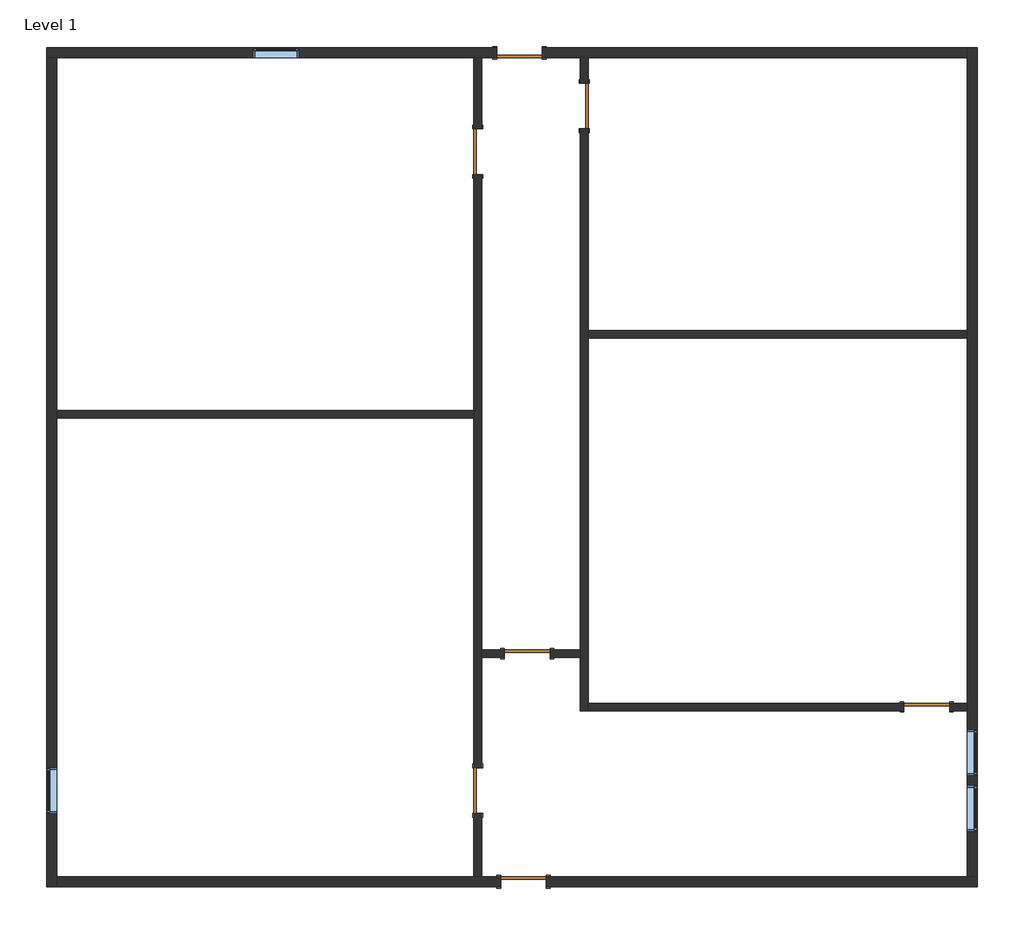
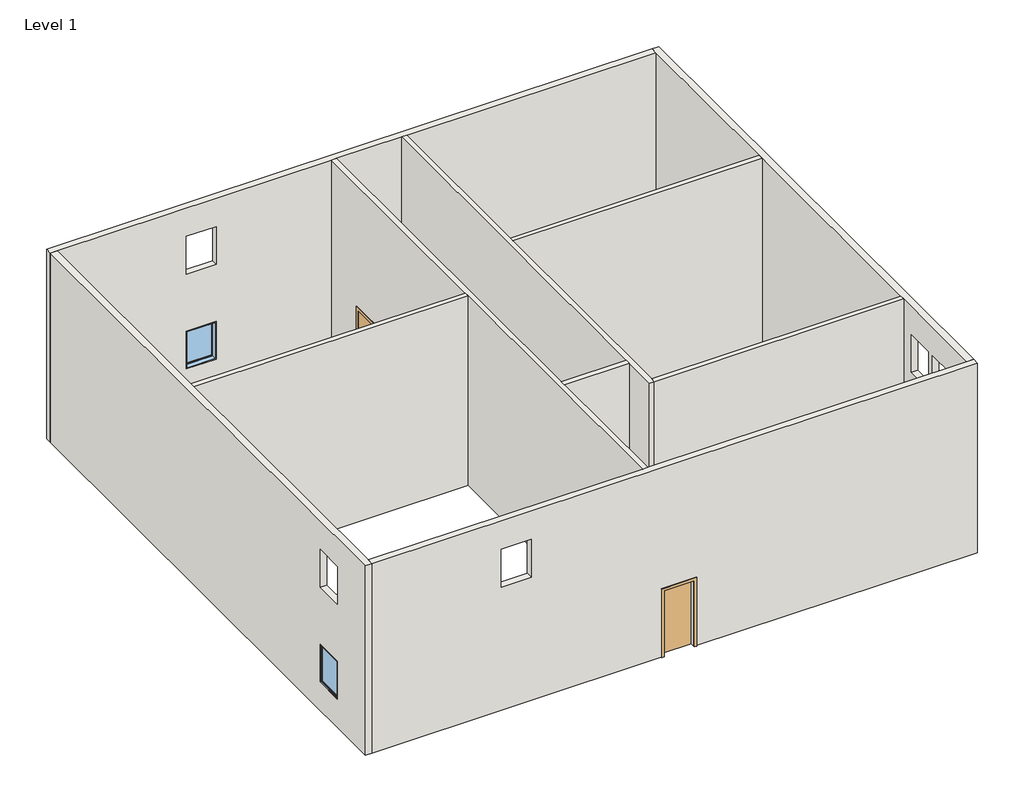
# One storey: 10 walls, 7 doors, 4 windows.
"""IFC4 building model written with IfcOpenShell, lengths in millimetres."""

import ifcopenshell
import ifcopenshell.guid

model = None  # the IFC model being written
_history = None  # IfcOwnerHistory: only IFC2X3 demands one
_inside = {}  # id of a spatial element -> (the spatial element, [elements in it])
_under = {}  # id of a project, library or spatial element -> (it, [spatial elements below it])
_declared = {}  # id of a project -> (the project, [libraries it declares])
_typed = {}  # id of a type object -> (the type object, [elements of that type])
_made_of = {}  # id of a material, layer set ... -> (it, [elements and type objects made of it])


def new_model(schema):
    """Start an empty IFC model of exactly this schema.

    Asked for "IFC4X3", IfcOpenShell would pick the latest addendum, in which some entities
    have other attributes; the version numbers below select the first issue.
    IFC2X3 requires an IfcOwnerHistory on every rooted entity: one is made here for all.
    """
    global model, _history
    if schema == "IFC4X3":
        model = ifcopenshell.file(schema_version=(4, 3, 0, 0))
    else:
        model = ifcopenshell.file(schema=schema)
    _inside.clear()
    _under.clear()
    _declared.clear()
    _typed.clear()
    _made_of.clear()
    _history = None
    if model.schema == "IFC2X3":
        org = make("IfcOrganization", Name="unknown")
        user = make(
            "IfcPersonAndOrganization",
            ThePerson=make("IfcPerson", FamilyName="unknown"),
            TheOrganization=org,
        )
        app = make(
            "IfcApplication",
            ApplicationDeveloper=org,
            Version="unknown",
            ApplicationFullName="unknown",
            ApplicationIdentifier="unknown",
        )
        _history = make(
            "IfcOwnerHistory",
            OwningUser=user,
            OwningApplication=app,
            ChangeAction="ADDED",
            CreationDate=0,
        )
    return model


def make(cls, **values):
    """One entity of the class cls with the attributes given. An attribute that is None is left unset."""
    return model.create_entity(
        cls, **{name: value for name, value in values.items() if value is not None}
    )


def rooted(cls, **values):
    """An entity with a GlobalId (a new one), such as an element, a storey or a relation."""
    return make(cls, GlobalId=ifcopenshell.guid.new(), OwnerHistory=_history, **values)


def si_unit(unit_type, name, prefix=None):
    """IfcSIUnit, for example si_unit("LENGTHUNIT", "METRE", prefix="MILLI")."""
    return make("IfcSIUnit", UnitType=unit_type, Prefix=prefix, Name=name)


def assignment(units):
    """IfcUnitAssignment: the units of a project."""
    return None if units is None else make("IfcUnitAssignment", Units=units)


def point(xyz):
    """IfcCartesianPoint."""
    return None if xyz is None else make("IfcCartesianPoint", Coordinates=xyz)


def direction(xyz):
    """IfcDirection."""
    return None if xyz is None else make("IfcDirection", DirectionRatios=xyz)


def frame(location, z_axis=None, x_axis=None):
    """IfcAxis2Placement3D, a coordinate frame: its origin and axes. An axis left out is left unset."""
    return make(
        "IfcAxis2Placement3D",
        Location=point(location),
        Axis=direction(z_axis),
        RefDirection=direction(x_axis),
    )


def origin():
    """The frame at (0, 0, 0) with its axes left unset."""
    return frame((0.0, 0.0, 0.0))


def origin_with_axes():
    """The frame at (0, 0, 0) with the z axis (0, 0, 1) and the x axis (1, 0, 0) written out."""
    return frame((0.0, 0.0, 0.0), z_axis=(0.0, 0.0, 1.0), x_axis=(1.0, 0.0, 0.0))


def place(relative_to, where):
    """IfcLocalPlacement: puts the frame where relative to a parent placement (None: the world)."""
    return make(
        "IfcLocalPlacement", PlacementRelTo=relative_to, RelativePlacement=where
    )


def context(
    kind, dimensions, precision=None, world=None, true_north=None, identifier=None
):
    """IfcGeometricRepresentationContext, for example the 3D "Model" context."""
    return make(
        "IfcGeometricRepresentationContext",
        ContextIdentifier=identifier,
        ContextType=kind,
        CoordinateSpaceDimension=dimensions,
        Precision=precision,
        WorldCoordinateSystem=world,
        TrueNorth=true_north,
    )


def project(units=None, contexts=None):
    """IfcProject with its units and contexts."""
    return rooted(
        "IfcProject",
        Name="project",
        RepresentationContexts=contexts,
        UnitsInContext=assignment(units),
    )


def spatial(cls, under=None, at=None, **own):
    """A site, building, storey or space (cls), placed at a placement, below another one or the project."""
    s = rooted(cls, ObjectPlacement=at, **own)
    if under is not None:
        _under.setdefault(under.id(), (under, []))[1].append(s)
    return s


def polyline(points):
    """IfcPolyline through the points."""
    return make("IfcPolyline", Points=[point(p) for p in points])


def outline(outer, holes=None, kind="AREA"):
    """IfcArbitraryClosedProfileDef: a profile drawn as a closed curve; with holes, ...WithVoids."""
    if holes is None:
        return make("IfcArbitraryClosedProfileDef", ProfileType=kind, OuterCurve=outer)
    return make(
        "IfcArbitraryProfileDefWithVoids",
        ProfileType=kind,
        OuterCurve=outer,
        InnerCurves=holes,
    )


def extrude(swept, where, along, depth):
    """IfcExtrudedAreaSolid: the profile swept, set in the frame where, extruded along a direction by depth."""
    return make(
        "IfcExtrudedAreaSolid",
        SweptArea=swept,
        Position=where,
        ExtrudedDirection=direction(along),
        Depth=depth,
    )


def faces_of(points, faces, orient=None, outer=None):
    """IfcFace entities. A face is a list of loops; a loop is a list of indices into points, from 0.

    orient and outer hold one flag for each loop. By default every Orientation is true, the
    first loop of a face is its IfcFaceOuterBound and the others are IfcFaceBound.
    """
    made = []
    for i, loops in enumerate(faces):
        bounds = []
        for j, loop in enumerate(loops):
            is_outer = j == 0 if outer is None else outer[i][j]
            bounds.append(
                make(
                    "IfcFaceOuterBound" if is_outer else "IfcFaceBound",
                    Bound=make("IfcPolyLoop", Polygon=[points[k] for k in loop]),
                    Orientation=True if orient is None else orient[i][j],
                )
            )
        made.append(make("IfcFace", Bounds=bounds))
    return made


def faceted_brep(points, faces, orient=None, outer=None, voids=None):
    """IfcFacetedBrep: a solid bounded by flat faces; with voids (closed shells), ...WithVoids."""
    shared = [point(p) for p in points]
    hull = make("IfcClosedShell", CfsFaces=faces_of(shared, faces, orient, outer))
    if voids is None:
        return make("IfcFacetedBrep", Outer=hull)
    return make(
        "IfcFacetedBrepWithVoids",
        Outer=hull,
        Voids=[
            make(cls, CfsFaces=faces_of(shared, fs, o, b)) for cls, fs, o, b in voids
        ],
    )


def shape(context_of_items, identifier, shape_type, items):
    """IfcShapeRepresentation: the items that make up one representation, for example the "Body"."""
    return make(
        "IfcShapeRepresentation",
        ContextOfItems=context_of_items,
        RepresentationIdentifier=identifier,
        RepresentationType=shape_type,
        Items=items,
    )


def source(mapping_origin, context_of_items, identifier, shape_type, items):
    """IfcRepresentationMap: a shape defined once, which mapped items show again and again."""
    return make(
        "IfcRepresentationMap",
        MappingOrigin=mapping_origin,
        MappedRepresentation=shape(context_of_items, identifier, shape_type, items),
    )


def transform(
    local_origin,
    x_axis=None,
    y_axis=None,
    z_axis=None,
    scale=None,
    scale2=None,
    scale3=None,
    uniform=True,
):
    """IfcCartesianTransformationOperator3D, or its non-uniform kind. x_axis, y_axis, z_axis: its Axis1, 2, 3."""
    if uniform:
        return make(
            "IfcCartesianTransformationOperator3D",
            Axis1=direction(x_axis),
            Axis2=direction(y_axis),
            LocalOrigin=point(local_origin),
            Scale=scale,
            Axis3=direction(z_axis),
        )
    return make(
        "IfcCartesianTransformationOperator3DnonUniform",
        Axis1=direction(x_axis),
        Axis2=direction(y_axis),
        LocalOrigin=point(local_origin),
        Scale=scale,
        Axis3=direction(z_axis),
        Scale2=scale2,
        Scale3=scale3,
    )


def mapped(mapping_source, mapping_target):
    """IfcMappedItem: shows the shape of a source again, moved by a transform."""
    return make(
        "IfcMappedItem", MappingSource=mapping_source, MappingTarget=mapping_target
    )


def made_of(thing, what):
    """Note that an element or type object is made of a material, layer set ...; save() writes the relation."""
    if what is not None:
        _made_of.setdefault(what.id(), (what, []))[1].append(thing)
    return thing


def element(
    cls,
    number,
    at=None,
    inside=None,
    cuts=None,
    type_object=None,
    material=None,
    context=None,
    identifier="Body",
    shape_type=None,
    held_by="IfcProductDefinitionShape",
    body=None,
    shapes=None,
    **own,
):
    """One element of the class cls, such as IfcWall. Its Tag is "e" and its number.

    at: its placement. inside: the storey or other place that contains it. cuts: it is an
    opening in that element (IfcRelVoidsElement). A single representation is given by context,
    identifier, shape_type and body (its items); several are given by shapes. held_by: the class
    of the entity that holds the representations. save() writes the other relations.
    """
    e = rooted(cls, Tag="e%d" % number, ObjectPlacement=at, **own)
    if body is not None:
        shapes = [shape(context, identifier, shape_type, body)]
    if shapes is not None:
        e.Representation = make(held_by, Representations=shapes)
    if inside is not None:
        _inside.setdefault(inside.id(), (inside, []))[1].append(e)
    if cuts is not None:
        rooted(
            "IfcRelVoidsElement", RelatingBuildingElement=cuts, RelatedOpeningElement=e
        )
    if type_object is not None:
        _typed.setdefault(type_object.id(), (type_object, []))[1].append(e)
    return made_of(e, material)


def aggregate(whole, parts):
    """IfcRelAggregates: a whole, such as a stair, and the parts it consists of."""
    return rooted("IfcRelAggregates", RelatingObject=whole, RelatedObjects=parts)


def save(model, path):
    """Write the relations noted so far, then the file.

    IfcRelAggregates (storeys below a building ...), IfcRelContainedInSpatialStructure (elements
    in a storey), IfcRelDefinesByType, IfcRelAssociatesMaterial and IfcRelDeclares: one each for
    every whole, place, type object, material and project.
    """
    for whole, parts in _under.values():
        aggregate(whole, parts)
    for where, things in _inside.values():
        rooted(
            "IfcRelContainedInSpatialStructure",
            RelatedElements=things,
            RelatingStructure=where,
        )
    for kind, things in _typed.values():
        rooted("IfcRelDefinesByType", RelatedObjects=things, RelatingType=kind)
    for what, things in _made_of.values():
        rooted("IfcRelAssociatesMaterial", RelatedObjects=things, RelatingMaterial=what)
    for by, libraries in _declared.values():
        rooted("IfcRelDeclares", RelatingContext=by, RelatedDefinitions=libraries)
    model.write(path)


def door_54dd4da4(model_context):
    return source(origin(), model_context, "Body", "SweptSolid", [
        extrude(outline(polyline([(2209.8, -533.4), (0.0, -533.4), (0.0, -457.2), (2133.6, -457.2), (2133.6, 457.2), (0.0, 457.2), (0.0, 533.4), (2209.8, 533.4), (2209.8, -533.4)])), frame((0.0, 101.6, 0.0), z_axis=(0.0, 1.0, 0.0), x_axis=(0.0, 0.0, 1.0)), (0.0, 0.0, 1.0), 25.4),
        extrude(outline(polyline([(2209.8, 533.4), (2209.8, -533.4), (0.0, -533.4), (0.0, -457.2), (2133.6, -457.2), (2133.6, 457.2), (0.0, 457.2), (0.0, 533.4), (2209.8, 533.4)])), frame((0.0, -127.0, 0.0), z_axis=(0.0, 1.0, 0.0), x_axis=(0.0, 0.0, 1.0)), (0.0, 0.0, 1.0), 25.4),
        extrude(outline(polyline([(457.2, 50.8), (-457.2, 50.8), (-457.2, 101.6), (457.2, 101.6), (457.2, 50.8)])), origin_with_axes(), (0.0, 0.0, 1.0), 2133.6),
    ])


def door_686f89d2(model_context):
    return source(origin(), model_context, "Body", "SweptSolid", [
        extrude(outline(polyline([(2209.8, -533.4), (0.0, -533.4), (0.0, -457.2), (2133.6, -457.2), (2133.6, 457.2), (0.0, 457.2), (0.0, 533.4), (2209.8, 533.4), (2209.8, -533.4)])), frame((0.0, -101.6, 0.0), z_axis=(0.0, 1.0, 0.0), x_axis=(0.0, 0.0, 1.0)), (0.0, 0.0, 1.0), 25.4),
        extrude(outline(polyline([(2209.8, 533.4), (2209.8, -533.4), (0.0, -533.4), (0.0, -457.2), (2133.6, -457.2), (2133.6, 457.2), (0.0, 457.2), (0.0, 533.4), (2209.8, 533.4)])), frame((0.0, 76.2, 0.0), z_axis=(0.0, 1.0, 0.0), x_axis=(0.0, 0.0, 1.0)), (0.0, 0.0, 1.0), 25.4),
        extrude(outline(polyline([(457.2, -25.4), (457.2, -76.2), (-457.2, -76.2), (-457.2, -25.4), (457.2, -25.4)])), origin_with_axes(), (0.0, 0.0, 1.0), 2133.6),
    ])


def door_16372e1c(model_context):
    return source(origin(), model_context, "Body", "SweptSolid", [
        extrude(outline(polyline([(2209.8, -533.4), (0.0, -533.4), (0.0, -457.2), (2133.6, -457.2), (2133.6, 457.2), (0.0, 457.2), (0.0, 533.4), (2209.8, 533.4), (2209.8, -533.4)])), frame((0.0, 76.2, 0.0), z_axis=(0.0, 1.0, 0.0), x_axis=(0.0, 0.0, 1.0)), (0.0, 0.0, 1.0), 25.4),
        extrude(outline(polyline([(2209.8, 533.4), (2209.8, -533.4), (0.0, -533.4), (0.0, -457.2), (2133.6, -457.2), (2133.6, 457.2), (0.0, 457.2), (0.0, 533.4), (2209.8, 533.4)])), frame((0.0, -101.6, 0.0), z_axis=(0.0, 1.0, 0.0), x_axis=(0.0, 0.0, 1.0)), (0.0, 0.0, 1.0), 25.4),
        extrude(outline(polyline([(457.2, 25.4), (-457.2, 25.4), (-457.2, 76.2), (457.2, 76.2), (457.2, 25.4)])), origin_with_axes(), (0.0, 0.0, 1.0), 2133.6),
    ])


def door_719f80de(model_context):
    return source(origin(), model_context, "Body", "SweptSolid", [
        extrude(outline(polyline([(2209.8, -533.4), (0.0, -533.4), (0.0, -457.2), (2133.6, -457.2), (2133.6, 457.2), (0.0, 457.2), (0.0, 533.4), (2209.8, 533.4), (2209.8, -533.4)])), frame((0.0, -127.0, 0.0), z_axis=(0.0, 1.0, 0.0), x_axis=(0.0, 0.0, 1.0)), (0.0, 0.0, 1.0), 25.4),
        extrude(outline(polyline([(2209.8, 533.4), (2209.8, -533.4), (0.0, -533.4), (0.0, -457.2), (2133.6, -457.2), (2133.6, 457.2), (0.0, 457.2), (0.0, 533.4), (2209.8, 533.4)])), frame((0.0, 101.6, 0.0), z_axis=(0.0, 1.0, 0.0), x_axis=(0.0, 0.0, 1.0)), (0.0, 0.0, 1.0), 25.4),
        extrude(outline(polyline([(457.2, -50.8), (457.2, -101.6), (-457.2, -101.6), (-457.2, -50.8), (457.2, -50.8)])), origin_with_axes(), (0.0, 0.0, 1.0), 2133.6),
    ])


def window_e2841890(model_context):
    return source(origin(), model_context, "Body", "SweptSolid", [
        extrude(outline(polyline([(355.6, 53.975), (-431.8, 53.975), (-431.8, 66.675), (355.6, 66.675), (355.6, 53.975)])), frame((0.0, 0.0, 977.9), z_axis=(0.0, 0.0, 1.0), x_axis=(1.0, 0.0, 0.0)), (0.0, 0.0, 1.0), 1092.2),
        extrude(outline(polyline([(2114.55, -476.25), (933.45, -476.25), (933.45, 400.05), (2114.55, 400.05), (2114.55, -476.25)]), holes=[polyline([(2070.1, -431.8), (2070.1, 355.6), (977.9, 355.6), (977.9, -431.8), (2070.1, -431.8)])]), frame((0.0, 38.1, 0.0), z_axis=(0.0, 1.0, 0.0), x_axis=(0.0, 0.0, 1.0)), (0.0, 0.0, 1.0), 44.45),
        extrude(outline(polyline([(2133.6, -495.3), (914.4, -495.3), (914.4, 419.1), (2133.6, 419.1), (2133.6, -495.3)]), holes=[polyline([(2101.85, -463.55), (2101.85, 387.35), (946.15, 387.35), (946.15, -463.55), (2101.85, -463.55)])]), frame((0.0, -101.6, 0.0), z_axis=(0.0, 1.0, 0.0), x_axis=(0.0, 0.0, 1.0)), (0.0, 0.0, 1.0), 139.7),
        extrude(outline(polyline([(2133.6, 419.1), (2133.6, -495.3), (914.4, -495.3), (914.4, 419.1), (2133.6, 419.1)]), holes=[polyline([(2114.55, 400.05), (933.45, 400.05), (933.45, -476.25), (2114.55, -476.25), (2114.55, 400.05)])]), frame((0.0, 38.1, 0.0), z_axis=(0.0, 1.0, 0.0), x_axis=(0.0, 0.0, 1.0)), (0.0, 0.0, 1.0), 63.5),
    ])


model = new_model("IFC4")

# Units and contexts
model_context = context("Model", 3, world=origin())
ifc_project = project(units=[si_unit("LENGTHUNIT", "METRE", prefix="MILLI")], contexts=[model_context])

# Site, building, storey
site = spatial("IfcSite", under=ifc_project)
building = spatial("IfcBuilding", under=site)
storey = spatial("IfcBuildingStorey", under=building, Name="Level 1", Elevation=0.0)

# Doors
placement = place(None, origin())
door_shape = door_54dd4da4(model_context)
element("IfcDoor", 1, ObjectType="Single-Flush : 36\" x 84\"", at=placement, inside=storey, context=model_context, shape_type="MappedRepresentation", body=[
    mapped(door_shape, transform((1431.8017495, 22641.7841902, 0.0), x_axis=(-1.0, 0.0, 0.0), y_axis=(0.0, -1.0, 0.0), z_axis=(0.0, 0.0, 1.0))),
])
door_2_shape = door_686f89d2(model_context)
element("IfcDoor", 2, ObjectType="Single-Flush : 36\" x 84\"", at=placement, inside=storey, context=model_context, shape_type="MappedRepresentation", body=[
    mapped(door_2_shape, transform((593.6017495, 7858.9841902, 0.0), x_axis=(0.0, -1.0, 0.0), y_axis=(1.0, 0.0, 0.0), z_axis=(0.0, 0.0, 1.0))),
])
element("IfcDoor", 3, ObjectType="Single-Flush : 36\" x 84\"", at=placement, inside=storey, context=model_context, shape_type="MappedRepresentation", body=[
    mapped(door_2_shape, transform((2727.2017495, 21574.9841902, 0.0), x_axis=(0.0, 1.0, 0.0), y_axis=(-1.0, 0.0, 0.0), z_axis=(0.0, 0.0, 1.0))),
])
element("IfcDoor", 4, ObjectType="Single-Flush : 36\" x 84\"", at=placement, inside=storey, context=model_context, shape_type="MappedRepresentation", body=[
    mapped(door_2_shape, transform((1584.2017495, 10602.1841902, 0.0), x_axis=(-1.0, 0.0, 0.0), y_axis=(0.0, -1.0, 0.0), z_axis=(0.0, 0.0, 1.0))),
])
door_3_shape = door_16372e1c(model_context)
element("IfcDoor", 5, ObjectType="Single-Flush : 36\" x 84\"", at=placement, inside=storey, context=model_context, shape_type="MappedRepresentation", body=[
    mapped(door_3_shape, transform((9585.2017495, 9535.3841902, 0.0), x_axis=(1.0, 0.0, 0.0), y_axis=(0.0, 1.0, 0.0), z_axis=(0.0, 0.0, 1.0))),
])
element("IfcDoor", 6, ObjectType="Single-Flush : 36\" x 84\"", at=placement, inside=storey, context=model_context, shape_type="MappedRepresentation", body=[
    mapped(door_3_shape, transform((593.6017495, 20660.5841902, 0.0), x_axis=(0.0, 1.0, 0.0), y_axis=(-1.0, 0.0, 0.0), z_axis=(0.0, 0.0, 1.0))),
])
door_4_shape = door_719f80de(model_context)
element("IfcDoor", 7, ObjectType="Single-Flush : 36\" x 84\"", at=placement, inside=storey, context=model_context, shape_type="MappedRepresentation", body=[
    mapped(door_4_shape, transform((1508.0017495, 6030.1841902, 0.0), x_axis=(-1.0, 0.0, 0.0), y_axis=(0.0, -1.0, 0.0), z_axis=(0.0, 0.0, 1.0))),
])

# Walls
element("IfcWall", 8, ObjectType="Generic - 6\"", at=placement, inside=storey, context=model_context, shape_type="Brep", body=[
    faceted_brep([(669.8017495, 21117.7841902, 2133.6), (669.8017495, 21117.7841902, 0.0), (669.8017495, 22540.1841902, 0.0), (669.8017495, 22540.1841902, 6096.0), (669.8017495, 10678.3841902, 6096.0), (669.8017495, 10525.9841902, 6096.0), (669.8017495, 6131.7841902, 6096.0), (669.8017495, 6131.7841902, 0.0), (669.8017495, 7401.7841902, 0.0), (669.8017495, 7401.7841902, 2133.6), (669.8017495, 8316.1841902, 2133.6), (669.8017495, 8316.1841902, 0.0), (669.8017495, 10525.9841902, 0.0), (669.8017495, 10678.3841902, 0.0), (669.8017495, 20203.3841902, 0.0), (669.8017495, 20203.3841902, 2133.6), (517.4017495, 22540.1841902, 0.0), (517.4017495, 21117.7841902, 0.0), (517.4017495, 21117.7841902, 2133.6), (517.4017495, 20203.3841902, 2133.6), (517.4017495, 20203.3841902, 0.0), (517.4017495, 15478.9841902, 0.0), (517.4017495, 15326.5841902, 0.0), (517.4017495, 8316.1841902, 0.0), (517.4017495, 8316.1841902, 2133.6), (517.4017495, 7401.7841902, 2133.6), (517.4017495, 7401.7841902, 0.0), (517.4017495, 6131.7841902, 0.0), (517.4017495, 6131.7841902, 6096.0), (517.4017495, 15326.5841902, 6096.0), (517.4017495, 15478.9841902, 6096.0), (517.4017495, 22540.1841902, 6096.0)], [[[0, 1, 2, 3, 4, 5, 6, 7, 8, 9, 10, 11, 12, 13, 14, 15]], [[16, 17, 18, 19, 20, 21, 22, 23, 24, 25, 26, 27, 28, 29, 30, 31]], [[27, 26, 8, 7]], [[2, 1, 17, 16]], [[14, 13, 12, 11, 23, 22, 21, 20]], [[6, 5, 4, 3, 31, 30, 29, 28]], [[3, 2, 16, 31]], [[7, 6, 28, 27]], [[9, 8, 26, 25]], [[10, 9, 25, 24]], [[11, 10, 24, 23]], [[18, 17, 1, 0]], [[19, 18, 0, 15]], [[20, 19, 15, 14]]]),
])
element("IfcWall", 9, ObjectType="Generic - 6\"", at=placement, inside=storey, context=model_context, shape_type="SweptSolid", body=[
    extrude(outline(polyline([(2133.6, 10042.4017495), (0.0, 10042.4017495), (0.0, 10398.0017495), (6096.0, 10398.0017495), (6096.0, 2803.4017495), (0.0, 2803.4017495), (0.0, 9128.0017495), (2133.6, 9128.0017495), (2133.6, 10042.4017495)])), frame((0.0, 9459.1841902, 0.0), z_axis=(0.0, 1.0, 0.0), x_axis=(0.0, 0.0, 1.0)), (0.0, 0.0, 1.0), 152.4),
])
element("IfcWall", 10, ObjectType="Generic - 6\"", at=placement, inside=storey, context=model_context, shape_type="Brep", body=[
    faceted_brep([(2651.0017495, 22540.1841902, 0.0), (2651.0017495, 22032.1841902, 0.0), (2651.0017495, 22032.1841902, 2133.6), (2651.0017495, 21117.7841902, 2133.6), (2651.0017495, 21117.7841902, 0.0), (2651.0017495, 10678.3841902, 0.0), (2651.0017495, 10525.9841902, 0.0), (2651.0017495, 9459.1841902, 0.0), (2651.0017495, 9459.1841902, 6096.0), (2651.0017495, 10525.9841902, 6096.0), (2651.0017495, 10678.3841902, 6096.0), (2651.0017495, 22540.1841902, 6096.0), (2803.4017495, 22032.1841902, 2133.6), (2803.4017495, 22032.1841902, 0.0), (2803.4017495, 22540.1841902, 0.0), (2803.4017495, 22540.1841902, 6096.0), (2803.4017495, 17079.1841902, 6096.0), (2803.4017495, 16926.7841902, 6096.0), (2803.4017495, 9611.5841902, 6096.0), (2803.4017495, 9459.1841902, 6096.0), (2803.4017495, 9459.1841902, 0.0), (2803.4017495, 9611.5841902, 0.0), (2803.4017495, 16926.7841902, 0.0), (2803.4017495, 17079.1841902, 0.0), (2803.4017495, 21117.7841902, 0.0), (2803.4017495, 21117.7841902, 2133.6)], [[[0, 1, 2, 3, 4, 5, 6, 7, 8, 9, 10, 11]], [[12, 13, 14, 15, 16, 17, 18, 19, 20, 21, 22, 23, 24, 25]], [[14, 13, 1, 0]], [[24, 23, 22, 21, 20, 7, 6, 5, 4]], [[11, 10, 9, 8, 19, 18, 17, 16, 15]], [[0, 11, 15, 14]], [[8, 7, 20, 19]], [[2, 1, 13, 12]], [[3, 2, 12, 25]], [[4, 3, 25, 24]]]),
])
element("IfcWall", 11, ObjectType="Generic - 6\"", at=placement, inside=storey, context=model_context, shape_type="SweptSolid", body=[
    extrude(outline(polyline([(517.4017495, 15326.5841902), (-7839.1982505, 15326.5841902), (-7839.1982505, 15478.9841902), (517.4017495, 15478.9841902), (517.4017495, 15326.5841902)])), origin_with_axes(), (0.0, 0.0, 1.0), 6096.0),
])
element("IfcWall", 12, ObjectType="Generic - 6\"", at=placement, inside=storey, context=model_context, shape_type="SweptSolid", body=[
    extrude(outline(polyline([(10398.0017495, 16926.7841902), (2803.4017495, 16926.7841902), (2803.4017495, 17079.1841902), (10398.0017495, 17079.1841902), (10398.0017495, 16926.7841902)])), origin_with_axes(), (0.0, 0.0, 1.0), 6096.0),
])
element("IfcWall", 13, ObjectType="Generic - 6\"", at=placement, inside=storey, context=model_context, shape_type="SweptSolid", body=[
    extrude(outline(polyline([(0.0, 669.8017495), (0.0, 1127.0017495), (2133.6, 1127.0017495), (2133.6, 2041.4017495), (0.0, 2041.4017495), (0.0, 2651.0017495), (6096.0, 2651.0017495), (6096.0, 669.8017495), (0.0, 669.8017495)])), frame((0.0, 10525.9841902, 0.0), z_axis=(0.0, 1.0, 0.0), x_axis=(0.0, 0.0, 1.0)), (0.0, 0.0, 1.0), 152.4),
])
element("IfcWall", 14, ObjectType="Generic - 8\"", at=placement, inside=storey, context=model_context, shape_type="Brep", body=[
    faceted_brep([(-8042.3982505, 22540.1841902, 0.0), (-7839.1982505, 22540.1841902, 0.0), (517.4017495, 22540.1841902, 0.0), (669.8017495, 22540.1841902, 0.0), (974.6017495, 22540.1841902, 0.0), (974.6017495, 22540.1841902, 2133.6), (1889.0017495, 22540.1841902, 2133.6), (1889.0017495, 22540.1841902, 0.0), (2651.0017495, 22540.1841902, 0.0), (2803.4017495, 22540.1841902, 0.0), (10398.0017495, 22540.1841902, 0.0), (10398.0017495, 22540.1841902, 6096.0), (2803.4017495, 22540.1841902, 6096.0), (2651.0017495, 22540.1841902, 6096.0), (669.8017495, 22540.1841902, 6096.0), (517.4017495, 22540.1841902, 6096.0), (-7839.1982505, 22540.1841902, 6096.0), (-8042.3982505, 22540.1841902, 6096.0), (-2987.7982505, 22540.1841902, 2133.6), (-2987.7982505, 22540.1841902, 914.4), (-3902.1982505, 22540.1841902, 914.4), (-3902.1982505, 22540.1841902, 2133.6), (-2987.7982505, 22540.1841902, 5181.6), (-2987.7982505, 22540.1841902, 3962.4), (-3902.1982505, 22540.1841902, 3962.4), (-3902.1982505, 22540.1841902, 5181.6), (974.6017495, 22743.3841902, 2133.6), (974.6017495, 22743.3841902, 0.0), (-8042.3982505, 22743.3841902, 0.0), (-8042.3982505, 22743.3841902, 6096.0), (10398.0017495, 22743.3841902, 6096.0), (10398.0017495, 22743.3841902, 0.0), (1889.0017495, 22743.3841902, 0.0), (1889.0017495, 22743.3841902, 2133.6), (-2987.7982505, 22743.3841902, 2133.6), (-3902.1982505, 22743.3841902, 2133.6), (-3902.1982505, 22743.3841902, 914.4), (-2987.7982505, 22743.3841902, 914.4), (-2987.7982505, 22743.3841902, 5181.6), (-3902.1982505, 22743.3841902, 5181.6), (-3902.1982505, 22743.3841902, 3962.4), (-2987.7982505, 22743.3841902, 3962.4)], [[[0, 1, 2, 3, 4, 5, 6, 7, 8, 9, 10, 11, 12, 13, 14, 15, 16, 17], [18, 19, 20, 21], [22, 23, 24, 25]], [[26, 27, 28, 29, 30, 31, 32, 33], [34, 35, 36, 37], [38, 39, 40, 41]], [[32, 31, 10, 9, 8, 7]], [[28, 27, 4, 3, 2, 1, 0]], [[17, 16, 15, 14, 13, 12, 11, 30, 29]], [[0, 17, 29, 28]], [[11, 10, 31, 30]], [[19, 18, 34, 37]], [[20, 19, 37, 36]], [[21, 20, 36, 35]], [[18, 21, 35, 34]], [[23, 22, 38, 41]], [[24, 23, 41, 40]], [[25, 24, 40, 39]], [[22, 25, 39, 38]], [[5, 4, 27, 26]], [[6, 5, 26, 33]], [[7, 6, 33, 32]]]),
])
element("IfcWall", 15, ObjectType="Generic - 8\"", at=placement, inside=storey, context=model_context, shape_type="Brep", body=[
    faceted_brep([(-7839.1982505, 5928.5841902, 0.0), (-7839.1982505, 6131.7841902, 0.0), (-7839.1982505, 15326.5841902, 0.0), (-7839.1982505, 15478.9841902, 0.0), (-7839.1982505, 22540.1841902, 0.0), (-7839.1982505, 22540.1841902, 6096.0), (-7839.1982505, 15478.9841902, 6096.0), (-7839.1982505, 15326.5841902, 6096.0), (-7839.1982505, 6131.7841902, 6096.0), (-7839.1982505, 5928.5841902, 6096.0), (-7839.1982505, 8316.1841902, 2133.6), (-7839.1982505, 8316.1841902, 914.4), (-7839.1982505, 7401.7841902, 914.4), (-7839.1982505, 7401.7841902, 2133.6), (-7839.1982505, 8316.1841902, 5181.6), (-7839.1982505, 8316.1841902, 3962.4), (-7839.1982505, 7401.7841902, 3962.4), (-7839.1982505, 7401.7841902, 5181.6), (-8042.3982505, 5928.5841902, 0.0), (-8042.3982505, 5928.5841902, 6096.0), (-8042.3982505, 22540.1841902, 6096.0), (-8042.3982505, 22540.1841902, 0.0), (-8042.3982505, 8316.1841902, 2133.6), (-8042.3982505, 7401.7841902, 2133.6), (-8042.3982505, 7401.7841902, 914.4), (-8042.3982505, 8316.1841902, 914.4), (-8042.3982505, 8316.1841902, 5181.6), (-8042.3982505, 7401.7841902, 5181.6), (-8042.3982505, 7401.7841902, 3962.4), (-8042.3982505, 8316.1841902, 3962.4)], [[[0, 1, 2, 3, 4, 5, 6, 7, 8, 9], [10, 11, 12, 13], [14, 15, 16, 17]], [[18, 19, 20, 21], [22, 23, 24, 25], [26, 27, 28, 29]], [[4, 3, 2, 1, 0, 18, 21]], [[9, 8, 7, 6, 5, 20, 19]], [[0, 9, 19, 18]], [[5, 4, 21, 20]], [[11, 10, 22, 25]], [[12, 11, 25, 24]], [[13, 12, 24, 23]], [[10, 13, 23, 22]], [[15, 14, 26, 29]], [[16, 15, 29, 28]], [[17, 16, 28, 27]], [[14, 17, 27, 26]]]),
])
element("IfcWall", 16, ObjectType="Generic - 8\"", at=placement, inside=storey, context=model_context, shape_type="Brep", body=[
    faceted_brep([(1050.8017495, 6131.7841902, 2133.6), (1050.8017495, 6131.7841902, 0.0), (669.8017495, 6131.7841902, 0.0), (517.4017495, 6131.7841902, 0.0), (-7839.1982505, 6131.7841902, 0.0), (-7839.1982505, 6131.7841902, 6096.0), (517.4017495, 6131.7841902, 6096.0), (669.8017495, 6131.7841902, 6096.0), (10398.0017495, 6131.7841902, 6096.0), (10601.2017495, 6131.7841902, 6096.0), (10601.2017495, 6131.7841902, 0.0), (10398.0017495, 6131.7841902, 0.0), (1965.2017495, 6131.7841902, 0.0), (1965.2017495, 6131.7841902, 2133.6), (-3902.1982505, 6131.7841902, 5181.6), (-3902.1982505, 6131.7841902, 3962.4), (-2987.7982505, 6131.7841902, 3962.4), (-2987.7982505, 6131.7841902, 5181.6), (-7839.1982505, 5928.5841902, 0.0), (1050.8017495, 5928.5841902, 0.0), (1050.8017495, 5928.5841902, 2133.6), (1965.2017495, 5928.5841902, 2133.6), (1965.2017495, 5928.5841902, 0.0), (10601.2017495, 5928.5841902, 0.0), (10601.2017495, 5928.5841902, 6096.0), (-7839.1982505, 5928.5841902, 6096.0), (-3902.1982505, 5928.5841902, 5181.6), (-2987.7982505, 5928.5841902, 5181.6), (-2987.7982505, 5928.5841902, 3962.4), (-3902.1982505, 5928.5841902, 3962.4)], [[[0, 1, 2, 3, 4, 5, 6, 7, 8, 9, 10, 11, 12, 13], [14, 15, 16, 17]], [[18, 19, 20, 21, 22, 23, 24, 25], [26, 27, 28, 29]], [[12, 11, 10, 23, 22]], [[4, 3, 2, 1, 19, 18]], [[9, 8, 7, 6, 5, 25, 24]], [[10, 9, 24, 23]], [[5, 4, 18, 25]], [[20, 19, 1, 0]], [[21, 20, 0, 13]], [[22, 21, 13, 12]], [[15, 14, 26, 29]], [[16, 15, 29, 28]], [[17, 16, 28, 27]], [[14, 17, 27, 26]]]),
])
element("IfcWall", 17, ObjectType="Generic - 8\"", at=placement, inside=storey, context=model_context, shape_type="Brep", body=[
    faceted_brep([(10398.0017495, 22743.3841902, 0.0), (10398.0017495, 22540.1841902, 0.0), (10398.0017495, 17079.1841902, 0.0), (10398.0017495, 16926.7841902, 0.0), (10398.0017495, 9611.5841902, 0.0), (10398.0017495, 9459.1841902, 0.0), (10398.0017495, 6131.7841902, 0.0), (10398.0017495, 6131.7841902, 6096.0), (10398.0017495, 9459.1841902, 6096.0), (10398.0017495, 9611.5841902, 6096.0), (10398.0017495, 16926.7841902, 6096.0), (10398.0017495, 17079.1841902, 6096.0), (10398.0017495, 22540.1841902, 6096.0), (10398.0017495, 22743.3841902, 6096.0), (10398.0017495, 7046.1841902, 5181.6), (10398.0017495, 7046.1841902, 3962.4), (10398.0017495, 7960.5841902, 3962.4), (10398.0017495, 7960.5841902, 5181.6), (10398.0017495, 7046.1841902, 914.4), (10398.0017495, 7960.5841902, 914.4), (10398.0017495, 7960.5841902, 2133.6), (10398.0017495, 7046.1841902, 2133.6), (10398.0017495, 8163.7841902, 5181.6), (10398.0017495, 8163.7841902, 3962.4), (10398.0017495, 9078.1841902, 3962.4), (10398.0017495, 9078.1841902, 5181.6), (10398.0017495, 8163.7841902, 2133.6), (10398.0017495, 8163.7841902, 914.4), (10398.0017495, 9078.1841902, 914.4), (10398.0017495, 9078.1841902, 2133.6), (10601.2017495, 6131.7841902, 0.0), (10601.2017495, 22743.3841902, 0.0), (10601.2017495, 22743.3841902, 6096.0), (10601.2017495, 6131.7841902, 6096.0), (10601.2017495, 7046.1841902, 3962.4), (10601.2017495, 7046.1841902, 5181.6), (10601.2017495, 7960.5841902, 5181.6), (10601.2017495, 7960.5841902, 3962.4), (10601.2017495, 7960.5841902, 914.4), (10601.2017495, 7046.1841902, 914.4), (10601.2017495, 7046.1841902, 2133.6), (10601.2017495, 7960.5841902, 2133.6), (10601.2017495, 8163.7841902, 3962.4), (10601.2017495, 8163.7841902, 5181.6), (10601.2017495, 9078.1841902, 5181.6), (10601.2017495, 9078.1841902, 3962.4), (10601.2017495, 8163.7841902, 914.4), (10601.2017495, 8163.7841902, 2133.6), (10601.2017495, 9078.1841902, 2133.6), (10601.2017495, 9078.1841902, 914.4)], [[[0, 1, 2, 3, 4, 5, 6, 7, 8, 9, 10, 11, 12, 13], [14, 15, 16, 17], [18, 19, 20, 21], [22, 23, 24, 25], [26, 27, 28, 29]], [[30, 31, 32, 33], [34, 35, 36, 37], [38, 39, 40, 41], [42, 43, 44, 45], [46, 47, 48, 49]], [[6, 5, 4, 3, 2, 1, 0, 31, 30]], [[13, 12, 11, 10, 9, 8, 7, 33, 32]], [[0, 13, 32, 31]], [[7, 6, 30, 33]], [[15, 14, 35, 34]], [[16, 15, 34, 37]], [[17, 16, 37, 36]], [[14, 17, 36, 35]], [[18, 39, 38, 19]], [[19, 38, 41, 20]], [[20, 41, 40, 21]], [[39, 18, 21, 40]], [[23, 22, 43, 42]], [[24, 23, 42, 45]], [[25, 24, 45, 44]], [[22, 25, 44, 43]], [[27, 26, 47, 46]], [[28, 27, 46, 49]], [[29, 28, 49, 48]], [[26, 29, 48, 47]]]),
])

# Windows
window_shape = window_e2841890(model_context)
element("IfcWindow", 18, ObjectType="Fixed : 36\" x 48\"", at=placement, inside=storey, context=model_context, shape_type="MappedRepresentation", body=[
    mapped(window_shape, transform((10499.6017495, 7465.2841902, 0.0), x_axis=(0.0, -1.0, 0.0), y_axis=(1.0, 0.0, 0.0), z_axis=(0.0, 0.0, 1.0))),
])
element("IfcWindow", 19, ObjectType="Fixed : 36\" x 48\"", at=placement, inside=storey, context=model_context, shape_type="MappedRepresentation", body=[
    mapped(window_shape, transform((-3406.8982505, 22641.7841902, 0.0), x_axis=(1.0, 0.0, 0.0), y_axis=(0.0, 1.0, 0.0), z_axis=(0.0, 0.0, 1.0))),
])
element("IfcWindow", 20, ObjectType="Fixed : 36\" x 48\"", at=placement, inside=storey, context=model_context, shape_type="MappedRepresentation", body=[
    mapped(window_shape, transform((-7940.7982505, 7897.0841902, 0.0), x_axis=(0.0, 1.0, 0.0), y_axis=(-1.0, 0.0, 0.0), z_axis=(0.0, 0.0, 1.0))),
])
element("IfcWindow", 21, ObjectType="Fixed : 36\" x 48\"", at=placement, inside=storey, context=model_context, shape_type="MappedRepresentation", body=[
    mapped(window_shape, transform((10499.6017495, 8582.8841902, 0.0), x_axis=(0.0, -1.0, 0.0), y_axis=(1.0, 0.0, 0.0), z_axis=(0.0, 0.0, 1.0))),
])

save(model, "model.ifc")
